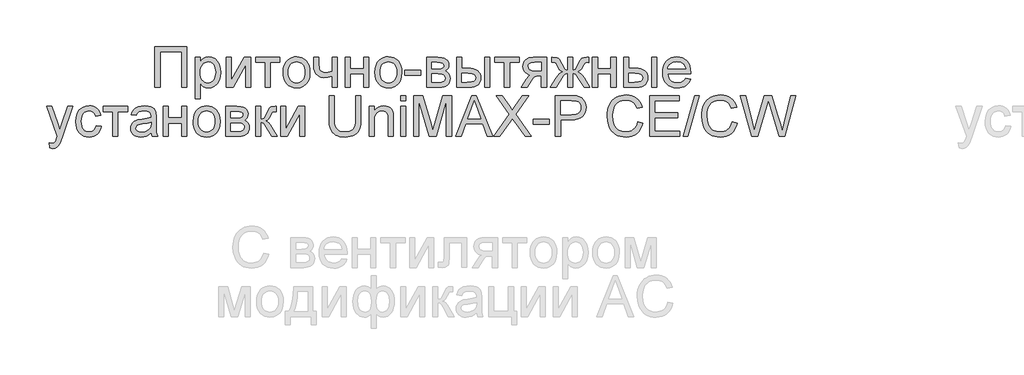
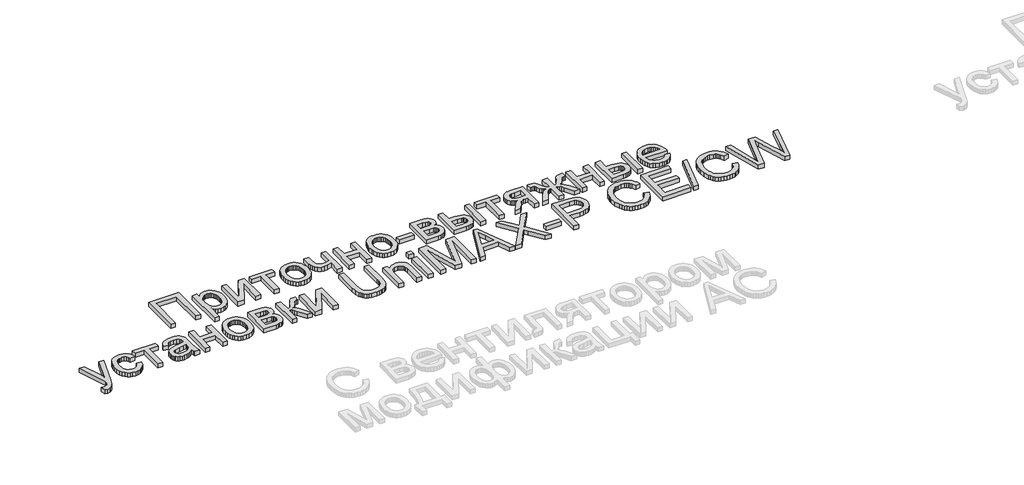
# One storey, part 47 of 74: 1 proxy.
"""IFC4 building model written with IfcOpenShell, lengths in millimetres."""

from ifc_helpers import new_model, si_unit, origin, origin_with_axes, place, context, project, spatial, polyline, outline, extrude, element, save

model = new_model("IFC4")

# Units and contexts
model_context = context("Model", 3, world=origin())
ifc_project = project(units=[si_unit("LENGTHUNIT", "METRE", prefix="MILLI")], contexts=[model_context])

# Site, building, storey
site = spatial("IfcSite", under=ifc_project)
building = spatial("IfcBuilding", under=site)
storey = spatial("IfcBuildingStorey", under=building, Elevation=0.0)

# Proxy
placement = place(None, origin())
element("IfcBuildingElementProxy", 1, Name="Generic Models", at=placement, inside=storey, context=model_context, shape_type="SweptSolid", body=[
    extrude(outline(polyline([(35266.2956204, -23404.5029647), (35617.589482, -23404.5029647), (35617.589482, -23854.1591075), (35561.3824642, -23854.1591075), (35561.3824642, -23460.7099826), (35322.5026383, -23460.7099826), (35322.5026383, -23854.1591075), (35266.2956204, -23854.1591075), (35266.2956204, -23404.5029647)])), origin_with_axes(), (0.0, 0.0, 1.0), 50.0),
    extrude(outline(polyline([(35708.925886, -23980.6248977), (35708.925886, -23523.9428777), (35765.1329039, -23523.9428777), (35765.1329039, -23579.0521022), (35783.4660523, -23551.8679952), (35803.9947873, -23532.4507759), (35827.9266816, -23520.8004443), (35856.4693079, -23516.9170004), (35894.4804015, -23522.3510774), (35927.7160942, -23538.6533081), (35954.7766995, -23564.8356787), (35974.2625308, -23599.9101752), (35986.0363642, -23641.3244281), (35989.9609753, -23686.526068), (35985.5286348, -23734.5956929), (35972.2316132, -23777.5880237), (35950.4953055, -23813.3211961), (35920.7451066, -23839.6133461), (35886.096005, -23855.7920751), (35849.6629893, -23861.1849848), (35823.8236791, -23857.5759892), (35800.756297, -23846.7490027), (35781.0097397, -23830.4056046), (35765.1329039, -23810.2473749), (35765.1329039, -23980.6248977), (35708.925886, -23980.6248977)]), holes=[polyline([(35765.1329039, -23691.6856966), (35766.6526615, -23718.7737467), (35771.2119344, -23742.0744098), (35778.8107225, -23761.5876861), (35789.4490259, -23777.3135753), (35802.255471, -23789.4167467), (35816.3586845, -23798.061869), (35831.7586664, -23803.2489425), (35848.4554167, -23804.9779669), (35865.3923092, -23803.1871916), (35881.0736006, -23797.8148655), (35895.4992909, -23788.8609888), (35908.6693801, -23776.3255613), (35919.6438827, -23760.0301918), (35927.4828131, -23739.7964887), (35932.1861713, -23715.6244521), (35933.7539574, -23687.514082), (35932.223908, -23660.6593129), (35927.6337597, -23637.399817), (35919.9835125, -23617.7355942), (35909.2731664, -23601.6666445), (35896.4358458, -23589.1792456), (35882.404675, -23580.2596749), (35867.1796539, -23574.9079324), (35850.7607826, -23573.1240183), (35834.3933704, -23575.0211424), (35818.9933885, -23580.7125146), (35804.560837, -23590.198135), (35791.0957158, -23603.4780035), (35779.7369856, -23620.3737288), (35771.6236069, -23640.7069194), (35766.7555796, -23664.4775753), (35765.1329039, -23691.6856966)])]), origin_with_axes(), (0.0, 0.0, 1.0), 50.0),
    extrude(outline(polyline([(36053.1938704, -23523.9428777), (36109.4008882, -23523.9428777), (36109.4008882, -23775.7766647), (36247.5032875, -23523.9428777), (36320.1772052, -23523.9428777), (36320.1772052, -23854.1591075), (36263.9701873, -23854.1591075), (36263.9701873, -23603.8622312), (36126.7460226, -23854.1591075), (36053.1938704, -23854.1591075), (36053.1938704, -23523.9428777)])), origin_with_axes(), (0.0, 0.0, 1.0), 50.0),
    extrude(outline(polyline([(36376.384223, -23523.9428777), (36643.3675578, -23523.9428777), (36643.3675578, -23580.1498955), (36537.9793993, -23580.1498955), (36537.9793993, -23854.1591075), (36481.7723815, -23854.1591075), (36481.7723815, -23580.1498955), (36376.384223, -23580.1498955), (36376.384223, -23523.9428777)])), origin_with_axes(), (0.0, 0.0, 1.0), 50.0),
    extrude(outline(polyline([(36678.496944, -23689.0509926), (36681.5364592, -23646.2850817), (36690.655005, -23609.4335323), (36705.8525812, -23578.4963443), (36727.1291879, -23553.4735179), (36748.54988, -23537.4800415), (36772.1936036, -23526.0561298), (36798.0603587, -23519.2017828), (36826.1501452, -23516.9170004), (36857.1593758, -23519.6992204), (36885.1977032, -23528.0458802), (36910.2651275, -23541.9569799), (36932.3616486, -23561.4325195), (36950.3963345, -23585.8138229), (36963.2782529, -23614.4422143), (36971.007404, -23647.3176935), (36973.5837877, -23684.4402607), (36969.0279454, -23741.22362), (36963.3331426, -23764.5311444), (36955.3604186, -23784.4492319), (36932.9791574, -23816.8204123), (36902.2821117, -23841.0404774), (36865.8216512, -23856.1488579), (36826.1501452, -23861.1849848), (36794.6880748, -23858.4130567), (36766.3890214, -23850.0972723), (36741.2529851, -23836.2376316), (36719.2799657, -23816.8341348), (36701.4373937, -23792.2161196), (36688.6926994, -23762.7129242), (36681.0458828, -23728.3245485), (36678.496944, -23689.0509926)]), holes=[polyline([(36734.7039618, -23688.9412133), (36736.3300682, -23716.2042242), (36741.2083872, -23739.8102111), (36749.338919, -23759.7591741), (36760.7216634, -23776.051113), (36774.5675817, -23788.7066116), (36790.0876347, -23797.7462534), (36807.2818225, -23803.1700386), (36826.1501452, -23804.9779669), (36844.9224109, -23803.1597467), (36862.0479866, -23797.7050862), (36877.5268724, -23788.6139853), (36891.3590682, -23775.886444), (36902.7418127, -23759.4332667), (36910.8723444, -23739.1652575), (36915.7506635, -23715.0824166), (36917.3767698, -23687.184744), (36915.7403717, -23660.7862453), (36910.8311772, -23637.7977671), (36902.6491864, -23618.2193094), (36891.1943992, -23602.0508722), (36877.3107444, -23589.3953736), (36861.8421504, -23580.3557318), (36844.7886173, -23574.9319467), (36826.1501452, -23573.1240183), (36807.2818225, -23574.9250854), (36790.0876347, -23580.3282869), (36774.5675817, -23589.3336227), (36760.7216634, -23601.9410929), (36749.338919, -23618.1850034), (36741.2083872, -23638.0996603), (36736.3300682, -23661.6850636), (36734.7039618, -23688.9412133)])]), origin_with_axes(), (0.0, 0.0, 1.0), 50.0),
    extrude(outline(polyline([(37015.7390511, -23523.9428777), (37071.9460689, -23523.9428777), (37071.9460689, -23587.2855521), (37076.5019112, -23646.6761706), (37084.2550765, -23663.9389705), (37098.4028879, -23678.8415148), (37117.9436089, -23689.1333271), (37141.8755033, -23692.5639312), (37176.2638789, -23688.3099821), (37219.4894908, -23675.5481348), (37219.4894908, -23523.9428777), (37275.6965086, -23523.9428777), (37275.6965086, -23854.1591075), (37219.4894908, -23854.1591075), (37219.4894908, -23729.4497867), (37171.5159228, -23743.9406585), (37126.8357348, -23748.7709491), (37092.8453092, -23743.7348222), (37063.1088327, -23728.6264417), (37039.9316713, -23706.2177356), (37025.6191909, -23679.2806321), (37018.209086, -23648.6247537), (37015.7390511, -23615.059723), (37015.7390511, -23523.9428777)])), origin_with_axes(), (0.0, 0.0, 1.0), 50.0),
    extrude(outline(polyline([(37360.0070354, -23523.9428777), (37416.2140533, -23523.9428777), (37416.2140533, -23650.4086678), (37563.7574751, -23650.4086678), (37563.7574751, -23523.9428777), (37619.964493, -23523.9428777), (37619.964493, -23854.1591075), (37563.7574751, -23854.1591075), (37563.7574751, -23706.6156857), (37416.2140533, -23706.6156857), (37416.2140533, -23854.1591075), (37360.0070354, -23854.1591075), (37360.0070354, -23523.9428777)])), origin_with_axes(), (0.0, 0.0, 1.0), 50.0),
    extrude(outline(polyline([(37690.2232653, -23689.0509926), (37693.2627806, -23646.2850817), (37702.3813263, -23609.4335323), (37717.5789025, -23578.4963443), (37738.8555093, -23553.4735179), (37760.2762014, -23537.4800415), (37783.9199249, -23526.0561298), (37809.78668, -23519.2017828), (37837.8764665, -23516.9170004), (37868.8856971, -23519.6992204), (37896.9240246, -23528.0458802), (37921.9914488, -23541.9569799), (37944.08797, -23561.4325195), (37962.1226558, -23585.8138229), (37975.0045743, -23614.4422143), (37982.7337253, -23647.3176935), (37985.310109, -23684.4402607), (37980.7542668, -23741.22362), (37975.0594639, -23764.5311444), (37967.08674, -23784.4492319), (37944.7054787, -23816.8204123), (37914.0084331, -23841.0404774), (37877.5479725, -23856.1488579), (37837.8764665, -23861.1849848), (37806.4143961, -23858.4130567), (37778.1153428, -23850.0972723), (37752.9793064, -23836.2376316), (37731.006287, -23816.8341348), (37713.163715, -23792.2161196), (37700.4190207, -23762.7129242), (37692.7722042, -23728.3245485), (37690.2232653, -23689.0509926)]), holes=[polyline([(37746.4302832, -23688.9412133), (37748.0563895, -23716.2042242), (37752.9347086, -23739.8102111), (37761.0652403, -23759.7591741), (37772.4479848, -23776.051113), (37786.293903, -23788.7066116), (37801.813956, -23797.7462534), (37819.0081439, -23803.1700386), (37837.8764665, -23804.9779669), (37856.6487322, -23803.1597467), (37873.774308, -23797.7050862), (37889.2531938, -23788.6139853), (37903.0853896, -23775.886444), (37914.468134, -23759.4332667), (37922.5986658, -23739.1652575), (37927.4769848, -23715.0824166), (37929.1030912, -23687.184744), (37927.466693, -23660.7862453), (37922.5574985, -23637.7977671), (37914.3755077, -23618.2193094), (37902.9207206, -23602.0508722), (37889.0370657, -23589.3953736), (37873.5684717, -23580.3557318), (37856.5149387, -23574.9319467), (37837.8764665, -23573.1240183), (37819.0081439, -23574.9250854), (37801.813956, -23580.3282869), (37786.293903, -23589.3336227), (37772.4479848, -23601.9410929), (37761.0652403, -23618.1850034), (37752.9347086, -23638.0996603), (37748.0563895, -23661.6850636), (37746.4302832, -23688.9412133)])]), origin_with_axes(), (0.0, 0.0, 1.0), 50.0),
    extrude(outline(polyline([(38020.4394952, -23720.6674401), (38020.4394952, -23664.4604223), (38196.086426, -23664.4604223), (38196.086426, -23720.6674401), (38020.4394952, -23720.6674401)])), origin_with_axes(), (0.0, 0.0, 1.0), 50.0),
    extrude(outline(polyline([(38259.3193211, -23523.9428777), (38383.1504073, -23523.9428777), (38422.9591374, -23525.8228487), (38451.0489239, -23531.4627619), (38471.7148831, -23542.1113571), (38489.2521314, -23559.0173742), (38501.231801, -23581.0418526), (38505.2250242, -23607.0458318), (38502.8098789, -23627.9999617), (38495.564443, -23646.0723842), (38483.4612716, -23661.3454338), (38466.4729201, -23673.9014448), (38487.2761034, -23685.5792212), (38504.2370102, -23704.3652094), (38515.5168365, -23728.7773883), (38519.2767786, -23757.333737), (38516.1549289, -23780.3393682), (38509.7534216, -23800.1751212), (38500.0722568, -23816.840996), (38487.1114344, -23830.3369926), (38470.8503709, -23840.7591679), (38451.2684826, -23848.2035788), (38428.3657695, -23852.6702254), (38402.1422317, -23854.1591075), (38259.3193211, -23854.1591075), (38259.3193211, -23523.9428777)]), holes=[polyline([(38315.5263389, -23797.9520897), (38384.4677592, -23797.9520897), (38422.0397355, -23795.4134426), (38445.614847, -23787.7975015), (38458.266915, -23773.9515833), (38463.0697608, -23752.723005), (38460.6683379, -23738.6575281), (38453.4640692, -23725.6623997), (38442.4038016, -23715.4940891), (38428.4343816, -23709.9090656), (38378.9787927, -23706.6156857), (38315.5263389, -23706.6156857), (38315.5263389, -23797.9520897)]), polyline([(38315.5263389, -23650.4086678), (38371.0746808, -23650.4086678), (38416.9075518, -23647.5544052), (38439.1927561, -23636.1373547), (38446.5616938, -23626.6963322), (38449.0180063, -23615.4988403), (38444.7091675, -23598.7300474), (38431.7826512, -23587.9442281), (38408.4270984, -23582.0984787), (38372.8311501, -23580.1498955), (38315.5263389, -23580.1498955), (38315.5263389, -23650.4086678)])]), origin_with_axes(), (0.0, 0.0, 1.0), 50.0),
    extrude(outline(polyline([(38898.6741491, -23523.9428777), (38954.881167, -23523.9428777), (38954.881167, -23854.1591075), (38898.6741491, -23854.1591075), (38898.6741491, -23523.9428777)])), origin_with_axes(), (0.0, 0.0, 1.0), 50.0),
    extrude(outline(polyline([(38589.5355509, -23523.9428777), (38645.7425688, -23523.9428777), (38645.7425688, -23643.3827906), (38715.2328858, -23643.3827906), (38747.2095468, -23645.1426905), (38775.2959027, -23650.4223903), (38799.4919535, -23659.2218898), (38819.7976993, -23671.5411892), (38835.8632184, -23686.9548935), (38847.3385891, -23705.0376078), (38854.2238116, -23725.7893321), (38856.5188857, -23749.2100664), (38854.5943168, -23770.1058761), (38848.8206101, -23789.4304691), (38839.1977656, -23807.1838454), (38825.7257832, -23823.366005), (38808.0272965, -23836.8379874), (38785.7249392, -23846.4608319), (38758.8187111, -23852.2345386), (38727.3086123, -23854.1591075), (38589.5355509, -23854.1591075), (38589.5355509, -23523.9428777)]), holes=[polyline([(38645.7425688, -23797.9520897), (38703.4864973, -23797.9520897), (38748.2490198, -23795.0017702), (38778.0266635, -23786.1508115), (38794.7405668, -23771.042431), (38800.3118679, -23749.3198457), (38796.1814205, -23730.9592525), (38783.7900785, -23714.7393562), (38773.0351346, -23708.1114291), (38757.2920923, -23703.3771954), (38710.8417125, -23699.5898085), (38645.7425688, -23699.5898085), (38645.7425688, -23797.9520897)])]), origin_with_axes(), (0.0, 0.0, 1.0), 50.0),
    extrude(outline(polyline([(39011.0881848, -23523.9428777), (39278.0715196, -23523.9428777), (39278.0715196, -23580.1498955), (39172.6833612, -23580.1498955), (39172.6833612, -23854.1591075), (39116.4763433, -23854.1591075), (39116.4763433, -23580.1498955), (39011.0881848, -23580.1498955), (39011.0881848, -23523.9428777)])), origin_with_axes(), (0.0, 0.0, 1.0), 50.0),
    extrude(outline(polyline([(39580.1842406, -23523.9428777), (39580.1842406, -23854.1591075), (39523.9772227, -23854.1591075), (39523.9772227, -23727.6933174), (39493.3487892, -23727.6933174), (39468.9228879, -23729.4772315), (39451.6326431, -23734.8289739), (39434.9736295, -23750.3901942), (39412.4414217, -23782.8025419), (39367.6514543, -23854.1591075), (39302.6620899, -23854.1591075), (39359.0886665, -23763.9204969), (39384.0085748, -23731.535594), (39395.7275184, -23722.0945715), (39406.9524551, -23717.1545015), (39386.3139407, -23712.5917981), (39368.529689, -23705.3806682), (39353.5996999, -23695.521112), (39341.5239734, -23683.0131294), (39325.5510806, -23653.2629305), (39320.226783, -23619.341117), (39322.0450032, -23599.1005527), (39327.4996637, -23580.8634612), (39336.5907647, -23564.6298425), (39349.3183059, -23550.3996966), (39365.4901737, -23538.8248383), (39384.9142542, -23530.5570824), (39407.5905475, -23525.5964289), (39433.5190534, -23523.9428777), (39580.1842406, -23523.9428777)]), holes=[polyline([(39523.9772227, -23580.1498955), (39449.8761738, -23580.1498955), (39411.6043543, -23583.4021082), (39398.6744074, -23587.4673741), (39389.881769, -23593.1587463), (39379.7957929, -23607.2791129), (39376.4338009, -23623.6225109), (39381.3875932, -23645.043203), (39396.2489703, -23659.90458), (39423.7075256, -23668.5908697), (39466.4528529, -23671.4862995), (39523.9772227, -23671.4862995), (39523.9772227, -23580.1498955)])]), origin_with_axes(), (0.0, 0.0, 1.0), 50.0),
    extrude(outline(polyline([(39868.2452071, -23523.9428777), (39868.2452071, -23664.4604223), (39888.0740989, -23661.5649924), (39901.0143376, -23652.8787028), (39932.0269988, -23592.7745187), (39951.375606, -23555.3123217), (39969.0226336, -23535.1403695), (39990.4570481, -23526.7422506), (40021.6069335, -23523.9428777), (40043.8921379, -23523.9428777), (40043.8921379, -23580.4792335), (40028.4132521, -23580.1498955), (40009.860545, -23581.6044717), (39999.4315085, -23585.9682001), (39979.3418908, -23622.4149382), (39967.1975522, -23646.8408396), (39956.0137828, -23662.374615), (39942.3325336, -23672.9957653), (39922.6957556, -23682.6837914), (39941.1867118, -23690.5947645), (39959.4443869, -23704.5573232), (39977.468781, -23724.5714676), (39995.2598939, -23750.6371977), (40057.9438923, -23854.1591075), (39993.5034246, -23854.1591075), (39931.8074402, -23752.064329), (39914.9425903, -23725.2644497), (39900.3556616, -23709.6346173), (39885.6040639, -23702.1010107), (39868.2452071, -23699.5898085), (39868.2452071, -23854.1591075), (39812.0381892, -23854.1591075), (39812.0381892, -23699.5898085), (39794.8165566, -23702.046121), (39780.037514, -23709.4150586), (39765.340806, -23724.9351117), (39748.3661768, -23751.8447704), (39686.6701924, -23854.1591075), (39622.339504, -23854.1591075), (39684.8039437, -23750.6371977), (39702.7460033, -23724.5714676), (39720.893899, -23704.5573232), (39739.2476311, -23690.5947645), (39757.8071993, -23682.6837914), (39736.34534, -23671.9254169), (39722.4582545, -23660.2888077), (39709.8336314, -23639.8424072), (39692.159159, -23602.6546585), (39684.9960576, -23590.2770389), (39677.3389492, -23583.6628341), (39653.0777169, -23579.8205575), (39636.3912584, -23580.1498955), (39636.3912584, -23523.9428777), (39644.844267, -23523.9428777), (39694.1351869, -23527.4558163), (39707.6654896, -23532.9447829), (39719.7137712, -23542.3858054), (39732.5305082, -23560.691509), (39748.3661768, -23592.7745187), (39779.0495, -23652.4944751), (39791.9897388, -23661.4689355), (39812.0381892, -23664.4604223), (39812.0381892, -23523.9428777), (39868.2452071, -23523.9428777)])), origin_with_axes(), (0.0, 0.0, 1.0), 50.0),
    extrude(outline(polyline([(40086.0474013, -23523.9428777), (40142.2544191, -23523.9428777), (40142.2544191, -23650.4086678), (40289.797841, -23650.4086678), (40289.797841, -23523.9428777), (40346.0048588, -23523.9428777), (40346.0048588, -23854.1591075), (40289.797841, -23854.1591075), (40289.797841, -23706.6156857), (40142.2544191, -23706.6156857), (40142.2544191, -23854.1591075), (40086.0474013, -23854.1591075), (40086.0474013, -23523.9428777)])), origin_with_axes(), (0.0, 0.0, 1.0), 50.0),
    extrude(outline(polyline([(40739.4539838, -23523.9428777), (40795.6610016, -23523.9428777), (40795.6610016, -23854.1591075), (40739.4539838, -23854.1591075), (40739.4539838, -23523.9428777)])), origin_with_axes(), (0.0, 0.0, 1.0), 50.0),
    extrude(outline(polyline([(40430.3153856, -23523.9428777), (40486.5224035, -23523.9428777), (40486.5224035, -23643.3827906), (40556.0127204, -23643.3827906), (40587.9893814, -23645.1426905), (40616.0757373, -23650.4223903), (40640.2717882, -23659.2218898), (40660.5775339, -23671.5411892), (40676.643053, -23686.9548935), (40688.1184238, -23705.0376078), (40695.0036462, -23725.7893321), (40697.2987204, -23749.2100664), (40695.3741515, -23770.1058761), (40689.6004448, -23789.4304691), (40679.9776002, -23807.1838454), (40666.5056178, -23823.366005), (40648.8071312, -23836.8379874), (40626.5047738, -23846.4608319), (40599.5985458, -23852.2345386), (40568.0884469, -23854.1591075), (40430.3153856, -23854.1591075), (40430.3153856, -23523.9428777)]), holes=[polyline([(40486.5224035, -23797.9520897), (40544.2663319, -23797.9520897), (40589.0288545, -23795.0017702), (40618.8064982, -23786.1508115), (40635.5204015, -23771.042431), (40641.0917025, -23749.3198457), (40636.9612552, -23730.9592525), (40624.5699131, -23714.7393562), (40613.8149692, -23708.1114291), (40598.0719269, -23703.3771954), (40551.6215472, -23699.5898085), (40486.5224035, -23699.5898085), (40486.5224035, -23797.9520897)])]), origin_with_axes(), (0.0, 0.0, 1.0), 50.0),
    extrude(outline(polyline([(41111.1668011, -23755.7968263), (41166.2760256, -23762.8227035), (41157.8264477, -23784.8952104), (41146.419689, -23804.3467358), (41132.0557495, -23821.1772796), (41114.7346293, -23835.3868418), (41094.6347198, -23846.6735294), (41071.9344124, -23854.735449), (41046.633707, -23859.5726008), (41018.7326037, -23861.1849848), (40983.8570823, -23858.4027648), (40952.7826702, -23850.056105), (40925.5093675, -23836.1450053), (40902.0371741, -23816.6694658), (40883.1619902, -23792.1715218), (40869.6797161, -23763.1932088), (40861.5903516, -23729.7345268), (40858.8938967, -23691.7954759), (40861.6177964, -23652.5699484), (40869.7894954, -23617.9963201), (40883.4089937, -23588.074591), (40902.4762914, -23562.8047611), (40925.8867339, -23542.7288658), (40952.5356667, -23528.3889406), (40982.4230898, -23519.7849855), (41015.5490031, -23516.9170004), (41047.6079986, -23519.7781243), (41076.600034, -23528.3614958), (41102.5251093, -23542.6671149), (41125.3832245, -23562.6949818), (41144.0422803, -23587.909922), (41157.3701773, -23617.7767615), (41165.3669155, -23652.2955001), (41168.0324949, -23691.4661379), (41167.7031569, -23706.6156857), (40915.1009146, -23706.6156857), (40918.3565579, -23729.0449754), (40924.8301079, -23748.6886146), (40934.5215645, -23765.5466032), (40947.4309278, -23779.6189413), (40962.8446321, -23790.713515), (40980.0491117, -23798.6382105), (40999.0443667, -23803.3930278), (41019.8303971, -23804.9779669), (41049.745265, -23802.0413698), (41074.9396216, -23793.2315784), (41095.413467, -23777.9996962), (41111.1668011, -23755.7968263)]), holes=[polyline([(40915.1009146, -23650.4086678), (41111.8254771, -23650.4086678), (41104.2232583, -23620.7133586), (41089.3207141, -23599.4710579), (41073.9927749, -23587.9442281), (41056.5515835, -23579.7107782), (41036.9971401, -23574.7707083), (41015.3294445, -23573.1240183), (40977.4418526, -23578.3797038), (40946.1135758, -23594.1467603), (40933.6570522, -23605.5466578), (40924.3361009, -23618.7236082), (40918.1507216, -23633.6776116), (40915.1009146, -23650.4086678)])]), origin_with_axes(), (0.0, 0.0, 1.0), 50.0),
    extrude(outline(polyline([(34107.0258772, -24521.0569809), (34100.0, -24466.9357703), (34128.5426263, -24471.8758403), (34143.5549499, -24470.3252072), (34155.2190039, -24465.673308), (34171.5761243, -24448.3830633), (34186.9452307, -24406.9962552), (34191.336404, -24393.3836181), (34071.8964911, -24064.3749608), (34131.1773302, -24064.3749608), (34194.5200046, -24247.7064449), (34216.5856503, -24321.0390385), (34238.651296, -24256.2692327), (34303.7504397, -24064.3749608), (34362.5921615, -24064.3749608), (34247.6532012, -24402.4953026), (34217.793223, -24475.8278962), (34202.506451, -24499.2383387), (34185.1887614, -24515.458235), (34165.0716989, -24524.9267023), (34141.3868081, -24528.0828581), (34107.0258772, -24521.0569809)])), origin_with_axes(), (0.0, 0.0, 1.0), 50.0),
    extrude(outline(polyline([(34619.9149151, -24275.1512778), (34676.121933, -24282.177155), (34670.0085964, -24308.6991555), (34660.4509334, -24332.1679182), (34647.4489438, -24352.5834433), (34631.0026276, -24369.9457308), (34611.804967, -24383.8019408), (34590.5489439, -24393.6992337), (34567.2345583, -24399.6376094), (34541.8618103, -24401.617068), (34510.337989, -24398.8554316), (34482.0732417, -24390.5705227), (34457.0675683, -24376.7623411), (34435.3209688, -24357.4308869), (34417.7185391, -24332.9398041), (34405.145375, -24303.6527368), (34397.6014765, -24269.5696849), (34395.0868437, -24230.6906484), (34399.3819601, -24180.6724404), (34412.2673091, -24137.3233268), (34421.98278, -24118.5682141), (34433.9487272, -24102.3174424), (34448.1651506, -24088.5710117), (34464.6320504, -24077.328922), (34501.3395144, -24062.3440432), (34541.0933549, -24057.3490836), (34566.0304163, -24059.0643857), (34588.5866383, -24064.2102918), (34608.7620211, -24072.7868021), (34626.5565647, -24084.7939165), (34641.6683758, -24099.9571867), (34653.7955614, -24118.0021644), (34662.9381214, -24138.9288495), (34669.0960558, -24162.7372421), (34612.8890379, -24169.7631193), (34602.6932825, -24145.2411611), (34586.8164466, -24127.6627456), (34566.136765, -24117.0827625), (34541.5324723, -24113.5561015), (34522.4342991, -24115.2919871), (34505.2092359, -24120.4996442), (34489.8572825, -24129.1790726), (34476.3784389, -24141.3302724), (34465.4039363, -24157.2345531), (34457.5650059, -24177.1732242), (34452.8616477, -24201.1462858), (34451.2938616, -24229.1537378), (34452.8273416, -24257.5831541), (34457.4277817, -24281.8340946), (34465.0951819, -24301.9065593), (34475.8295422, -24317.8005482), (34489.0407987, -24329.8797053), (34504.1388874, -24338.5076746), (34521.1238084, -24343.6844562), (34539.9955616, -24345.4100501), (34569.100807, -24341.1012113), (34592.9640892, -24328.174695), (34610.322946, -24306.3011632), (34619.9149151, -24275.1512778)])), origin_with_axes(), (0.0, 0.0, 1.0), 50.0),
    extrude(outline(polyline([(34697.1995647, -24064.3749608), (34964.1828995, -24064.3749608), (34964.1828995, -24120.5819787), (34858.794741, -24120.5819787), (34858.794741, -24394.5911907), (34802.5877232, -24394.5911907), (34802.5877232, -24120.5819787), (34697.1995647, -24120.5819787), (34697.1995647, -24064.3749608)])), origin_with_axes(), (0.0, 0.0, 1.0), 50.0),
    extrude(outline(polyline([(35224.140357, -24352.4359273), (35197.285588, -24375.4621422), (35169.6349188, -24390.5293555), (35140.5571183, -24398.8451398), (35109.4209554, -24401.617068), (35084.3946983, -24399.9497944), (35062.4491238, -24394.9479736), (35043.5842318, -24386.6116056), (35027.8000222, -24374.9406903), (35015.3366375, -24360.6762384), (35006.4342198, -24344.5592603), (35001.0927692, -24326.5897559), (34999.3122856, -24306.7677253), (35002.0018793, -24283.4670622), (35010.0706601, -24262.307096), (35022.5168919, -24244.1935062), (35038.3388381, -24230.0319724), (35056.9327124, -24219.3284876), (35077.6947285, -24211.5890447), (35126.3269725, -24203.1360362), (35183.7964526, -24194.2439103), (35223.811019, -24183.8148738), (35224.140357, -24171.30003), (35220.2706356, -24146.2154527), (35208.6614713, -24129.8034426), (35182.6986593, -24117.6179367), (35146.5263695, -24113.5561015), (35113.0436733, -24116.2594175), (35089.6606757, -24124.3693656), (35073.7152277, -24139.3679668), (35062.5451807, -24162.7372421), (35006.3381629, -24155.7113649), (35016.094801, -24124.973152), (35030.6542848, -24100.821699), (35051.3751337, -24082.3513264), (35079.6158668, -24068.6563548), (35114.1551891, -24060.1759014), (35153.7718054, -24057.3490836), (35191.7691766, -24059.8465634), (35221.8898807, -24067.3390028), (35244.60048, -24078.6051067), (35260.3675365, -24092.4235801), (35270.8240179, -24109.5079886), (35277.6028916, -24130.5718979), (35280.3473749, -24179.7530385), (35280.3473749, -24249.6824728), (35283.2016375, -24347.3311884), (35294.3991294, -24394.5911907), (35238.1921115, -24394.5911907), (35229.1902063, -24375.0504697), (35224.140357, -24352.4359273)]), holes=[polyline([(35224.140357, -24240.0218916), (35186.3762669, -24249.3805797), (35133.462629, -24257.2572467), (35085.1048334, -24266.3689313), (35072.5213775, -24272.5989083), (35063.2038567, -24281.189141), (35057.4404418, -24291.4809534), (35055.5193035, -24302.8156694), (35059.7046405, -24319.5295726), (35072.2606516, -24333.2245443), (35092.9128884, -24342.3636737), (35121.3869025, -24345.4100501), (35151.5762188, -24342.0480581), (35178.2525964, -24331.962082), (35199.8791247, -24317.1007049), (35214.9188932, -24299.4125101), (35221.5879876, -24281.189141), (35223.811019, -24255.9398947), (35224.140357, -24240.0218916)])]), origin_with_axes(), (0.0, 0.0, 1.0), 50.0),
    extrude(outline(polyline([(35357.6320244, -24064.3749608), (35413.8390423, -24064.3749608), (35413.8390423, -24190.840751), (35561.3824642, -24190.840751), (35561.3824642, -24064.3749608), (35617.589482, -24064.3749608), (35617.589482, -24394.5911907), (35561.3824642, -24394.5911907), (35561.3824642, -24247.0477689), (35413.8390423, -24247.0477689), (35413.8390423, -24394.5911907), (35357.6320244, -24394.5911907), (35357.6320244, -24064.3749608)])), origin_with_axes(), (0.0, 0.0, 1.0), 50.0),
    extrude(outline(polyline([(35687.8482543, -24229.4830758), (35690.8877696, -24186.7171649), (35700.0063153, -24149.8656154), (35715.2038916, -24118.9284275), (35736.4804983, -24093.9056011), (35757.9011904, -24077.9121247), (35781.544914, -24066.488213), (35807.411669, -24059.633866), (35835.5014555, -24057.3490836), (35866.5106861, -24060.1313036), (35894.5490136, -24068.4779634), (35919.6164379, -24082.3890631), (35941.712959, -24101.8646026), (35959.7476448, -24126.2459061), (35972.6295633, -24154.8742975), (35980.3587144, -24187.7497767), (35982.935098, -24224.8723439), (35978.3792558, -24281.6557032), (35972.6844529, -24304.9632276), (35964.711729, -24324.8813151), (35942.3304677, -24357.2524955), (35911.6334221, -24381.4725606), (35875.1729615, -24396.5809411), (35835.5014555, -24401.617068), (35804.0393852, -24398.8451398), (35775.7403318, -24390.5293555), (35750.6042954, -24376.6697148), (35728.6312761, -24357.2662179), (35710.7887041, -24332.6482028), (35698.0440098, -24303.1450074), (35690.3971932, -24268.7566317), (35687.8482543, -24229.4830758)]), holes=[polyline([(35744.0552722, -24229.3732965), (35745.6813785, -24256.6363074), (35750.5596976, -24280.2422943), (35758.6902293, -24300.1912572), (35770.0729738, -24316.4831962), (35783.918892, -24329.1386948), (35799.438945, -24338.1783366), (35816.6331329, -24343.6021217), (35835.5014555, -24345.4100501), (35854.2737212, -24343.5918299), (35871.399297, -24338.1371694), (35886.8781828, -24329.0460685), (35900.7103786, -24316.3185272), (35912.093123, -24299.8653498), (35920.2236548, -24279.5973407), (35925.1019738, -24255.5144998), (35926.7280802, -24227.6168271), (35925.091682, -24201.2183285), (35920.1824875, -24178.2298503), (35912.0004967, -24158.6513926), (35900.5457096, -24142.4829554), (35886.6620547, -24129.8274568), (35871.1934608, -24120.7878149), (35854.1399277, -24115.3640298), (35835.5014555, -24113.5561015), (35816.6331329, -24115.3571686), (35799.438945, -24120.7603701), (35783.918892, -24129.7657059), (35770.0729738, -24142.373176), (35758.6902293, -24158.6170865), (35750.5596976, -24178.5317434), (35745.6813785, -24202.1171467), (35744.0552722, -24229.3732965)])]), origin_with_axes(), (0.0, 0.0, 1.0), 50.0),
    extrude(outline(polyline([(36046.1679931, -24064.3749608), (36169.9990793, -24064.3749608), (36209.8078095, -24066.2549319), (36237.897596, -24071.8948451), (36258.5635552, -24082.5434402), (36276.1008035, -24099.4494573), (36288.080473, -24121.4739358), (36292.0736962, -24147.477915), (36289.6585509, -24168.4320449), (36282.413115, -24186.5044674), (36270.3099437, -24201.7775169), (36253.3215921, -24214.333528), (36274.1247755, -24226.0113044), (36291.0856822, -24244.7972926), (36302.3655086, -24269.2094715), (36306.1254507, -24297.7658201), (36303.003601, -24320.7714513), (36296.6020937, -24340.6072043), (36286.9209289, -24357.2730791), (36273.9601065, -24370.7690757), (36257.699043, -24381.191251), (36238.1171547, -24388.635662), (36215.2144416, -24393.1023085), (36188.9909037, -24394.5911907), (36046.1679931, -24394.5911907), (36046.1679931, -24064.3749608)]), holes=[polyline([(36102.375011, -24190.840751), (36157.9233528, -24190.840751), (36203.7562238, -24187.9864884), (36226.0414282, -24176.5694379), (36233.4103658, -24167.1284154), (36235.8666784, -24155.9309235), (36231.5578396, -24139.1621306), (36218.6313233, -24128.3763113), (36195.2757705, -24122.5305618), (36159.6798222, -24120.5819787), (36102.375011, -24120.5819787), (36102.375011, -24190.840751)]), polyline([(36102.375011, -24338.3841729), (36171.3164313, -24338.3841729), (36208.8884076, -24335.8455258), (36232.4635191, -24328.2295847), (36245.1155871, -24314.3836665), (36249.9184328, -24293.1550882), (36247.51701, -24279.0896113), (36240.3127413, -24266.0944829), (36229.2524736, -24255.9261723), (36215.2830537, -24250.3411488), (36165.8274647, -24247.0477689), (36102.375011, -24247.0477689), (36102.375011, -24338.3841729)])]), origin_with_axes(), (0.0, 0.0, 1.0), 50.0),
    extrude(outline(polyline([(36376.384223, -24064.3749608), (36432.5912409, -24064.3749608), (36432.5912409, -24204.8925055), (36455.4527867, -24202.3675808), (36470.2455517, -24194.792807), (36483.336737, -24175.0325272), (36501.0935439, -24135.9510851), (36515.4060242, -24103.9915772), (36526.7270178, -24085.1781442), (36537.2932785, -24074.9274991), (36549.3415602, -24068.6563548), (36590.4539199, -24064.3749608), (36601.2122944, -24064.3749608), (36601.2122944, -24120.9113167), (36586.0627466, -24120.5819787), (36568.4980536, -24122.0639997), (36558.6179137, -24126.5100626), (36539.2967513, -24163.5056974), (36527.4268611, -24188.1648798), (36516.6273193, -24203.5202638), (36503.5498564, -24213.7709089), (36484.8462028, -24223.1158745), (36502.6578993, -24231.0268476), (36520.3049269, -24244.9894064), (36537.7872855, -24265.0035508), (36555.1049751, -24291.0692809), (36615.2640489, -24394.5911907), (36551.3724778, -24394.5911907), (36492.4209767, -24293.2648675), (36476.5029736, -24266.3003192), (36462.7805571, -24250.3960385), (36448.9209165, -24242.6154283), (36432.5912409, -24240.0218916), (36432.5912409, -24394.5911907), (36376.384223, -24394.5911907), (36376.384223, -24064.3749608)])), origin_with_axes(), (0.0, 0.0, 1.0), 50.0),
    extrude(outline(polyline([(36650.393435, -24064.3749608), (36706.6004529, -24064.3749608), (36706.6004529, -24316.2087479), (36844.7028522, -24064.3749608), (36917.3767698, -24064.3749608), (36917.3767698, -24394.5911907), (36861.169752, -24394.5911907), (36861.169752, -24144.2943144), (36723.9455873, -24394.5911907), (36650.393435, -24394.5911907), (36650.393435, -24064.3749608)])), origin_with_axes(), (0.0, 0.0, 1.0), 50.0),
    extrude(outline(polyline([(37479.4469484, -23944.9350479), (37535.6539662, -23944.9350479), (37535.6539662, -24204.3436088), (37531.8391344, -24265.0927465), (37520.3946391, -24311.8724643), (37511.2349261, -24330.843705), (37499.0151142, -24347.9624196), (37483.7352035, -24363.2286079), (37465.3951939, -24376.64227), (37443.9745018, -24387.5687441), (37419.4525436, -24395.3733685), (37391.8293192, -24400.0561431), (37361.1048287, -24401.617068), (37304.0332987, -24396.182991), (37279.7892194, -24389.3903949), (37258.4062639, -24379.8807603), (37239.8810017, -24367.794742), (37224.2100021, -24353.2729947), (37211.3932651, -24336.3155186), (37201.4307907, -24316.9223135), (37188.6277762, -24268.1665678), (37184.3601046, -24204.3436088), (37184.3601046, -23944.9350479), (37240.5671225, -23944.9350479), (37240.5671225, -24202.3675808), (37243.3390506, -24252.8797959), (37251.654835, -24288.0503493), (37266.7220483, -24312.4076385), (37289.7482631, -24330.480061), (37319.7729103, -24341.6775528), (37355.8354208, -24345.4100501), (37386.813776, -24343.5643851), (37413.0030078, -24338.02739), (37434.4031163, -24328.799065), (37451.0141014, -24315.8794099), (37463.453472, -24297.7109305), (37472.3387366, -24272.7361325), (37477.6698954, -24240.955016), (37479.4469484, -24202.3675808), (37479.4469484, -23944.9350479)])), origin_with_axes(), (0.0, 0.0, 1.0), 50.0),
    extrude(outline(polyline([(37626.9903702, -24394.5911907), (37626.9903702, -24064.3749608), (37683.1973881, -24064.3749608), (37683.1973881, -24110.4822802), (37702.7243867, -24087.2365067), (37726.1759965, -24070.6323828), (37753.5522173, -24060.6699084), (37784.8530493, -24057.3490836), (37812.5586081, -24060.0249548), (37837.9313562, -24068.0525685), (37859.0913224, -24080.4301881), (37874.1585356, -24096.1560774), (37884.3817359, -24115.189069), (37891.0096631, -24137.4879958), (37893.973705, -24191.828765), (37893.973705, -24394.5911907), (37837.7666872, -24394.5911907), (37837.7666872, -24199.4035389), (37836.147442, -24170.3394608), (37831.2897066, -24149.6735016), (37822.3289686, -24134.8670142), (37808.4007159, -24123.3813517), (37790.5478521, -24116.012414), (37769.8132808, -24113.5561015), (37736.8932037, -24119.0725129), (37708.830862, -24135.6217471), (37697.6162172, -24149.1314662), (37689.6057566, -24167.5949775), (37684.7994802, -24191.0122812), (37683.1973881, -24219.3833773), (37683.1973881, -24394.5911907), (37626.9903702, -24394.5911907)])), origin_with_axes(), (0.0, 0.0, 1.0), 50.0),
    extrude(outline(polyline([(37971.2583546, -24394.5911907), (37971.2583546, -24064.3749608), (38027.4653724, -24064.3749608), (38027.4653724, -24394.5911907), (37971.2583546, -24394.5911907)])), origin_with_axes(), (0.0, 0.0, 1.0), 50.0),
    extrude(outline(polyline([(37971.2583546, -24001.1420658), (37971.2583546, -23944.9350479), (38027.4653724, -23944.9350479), (38027.4653724, -24001.1420658), (37971.2583546, -24001.1420658)])), origin_with_axes(), (0.0, 0.0, 1.0), 50.0),
    extrude(outline(polyline([(38118.8017764, -24394.5911907), (38118.8017764, -23944.9350479), (38215.5173677, -23944.9350479), (38307.5124477, -24261.8679786), (38326.0651548, -24328.0649157), (38346.1547725, -24256.3790121), (38436.6129418, -23944.9350479), (38533.3285331, -23944.9350479), (38533.3285331, -24394.5911907), (38477.1215152, -24394.5911907), (38477.1215152, -24001.1420658), (38364.1585829, -24394.5911907), (38287.9717266, -24394.5911907), (38175.0087943, -24001.1420658), (38175.0087943, -24394.5911907), (38118.8017764, -24394.5911907)])), origin_with_axes(), (0.0, 0.0, 1.0), 50.0),
    extrude(outline(polyline([(38579.3260731, -24394.5911907), (38758.8152805, -23944.9350479), (38806.6790691, -23944.9350479), (38986.1682765, -24394.5911907), (38926.7776581, -24394.5911907), (38875.2911515, -24254.0736461), (38690.0934188, -24254.0736461), (38638.7166916, -24394.5911907), (38579.3260731, -24394.5911907)]), holes=[polyline([(38710.7319332, -24197.8666282), (38854.7624164, -24197.8666282), (38814.253843, -24087.3188412), (38782.7471748, -24001.1420658), (38754.7534452, -24077.65826), (38710.7319332, -24197.8666282)])]), origin_with_axes(), (0.0, 0.0, 1.0), 50.0),
    extrude(outline(polyline([(38997.0364304, -24394.5911907), (39170.3779952, -24149.5637223), (39025.1399393, -23944.9350479), (39092.544449, -23944.9350479), (39174.3300511, -24060.0935669), (39201.8846634, -24104.9933136), (39234.1597869, -24059.3251116), (39315.0671544, -23944.9350479), (39383.4596781, -23944.9350479), (39238.2216222, -24150.2223983), (39411.563187, -24394.5911907), (39344.1586773, -24394.5911907), (39228.6708203, -24231.6786624), (39204.6291467, -24197.8666282), (39178.1723277, -24234.9720424), (39065.428954, -24394.5911907), (38997.0364304, -24394.5911907)])), origin_with_axes(), (0.0, 0.0, 1.0), 50.0),
    extrude(outline(polyline([(39432.6408187, -24261.0995233), (39432.6408187, -24204.8925055), (39608.2877495, -24204.8925055), (39608.2877495, -24261.0995233), (39432.6408187, -24261.0995233)])), origin_with_axes(), (0.0, 0.0, 1.0), 50.0),
    extrude(outline(polyline([(39678.5465218, -24394.5911907), (39678.5465218, -23944.9350479), (39845.1915474, -23944.9350479), (39912.3764984, -23949.2164418), (39942.3325336, -23957.2166106), (39966.991716, -23970.2391839), (39986.8480526, -23988.8742254), (40002.3955505, -24013.7117992), (40012.4403593, -24043.0091584), (40015.7886289, -24075.023556), (40013.5278608, -24102.6261967), (40006.7455565, -24128.0195284), (39995.4417159, -24151.203551), (39979.6163391, -24172.1782646), (39957.8903233, -24189.5645663), (39928.8845655, -24201.9833532), (39892.5990657, -24209.4346253), (39849.033824, -24211.9183827), (39734.7535397, -24211.9183827), (39734.7535397, -24394.5911907), (39678.5465218, -24394.5911907)]), holes=[polyline([(39734.7535397, -24155.7113649), (39852.327204, -24155.7113649), (39902.1670206, -24150.5517363), (39920.7471725, -24144.1022005), (39935.1008201, -24135.0728505), (39945.8111662, -24123.7038284), (39953.4614133, -24110.2352767), (39958.0515617, -24094.6671952), (39959.5816111, -24076.999584), (39955.9726156, -24051.7503377), (39945.145629, -24030.4531473), (39928.4454481, -24014.4253649), (39907.2168698, -24004.9843424), (39851.009852, -24001.1420658), (39734.7535397, -24001.1420658), (39734.7535397, -24155.7113649)])]), origin_with_axes(), (0.0, 0.0, 1.0), 50.0),
    extrude(outline(polyline([(40584.8846847, -24234.7524837), (40641.0917025, -24249.2433555), (40629.969684, -24284.1977808), (40615.1563354, -24314.7404493), (40596.6516568, -24340.8713609), (40574.4556482, -24362.5905155), (40549.0691777, -24379.6646322), (40520.9931136, -24391.8604298), (40490.2274559, -24399.1779084), (40456.7722046, -24401.617068), (40422.4970388, -24399.7714029), (40391.5770039, -24394.2344079), (40364.0120998, -24385.0060828), (40339.8023266, -24372.0864277), (40318.6149156, -24355.6675564), (40300.1170982, -24335.9415827), (40284.3088744, -24312.9085067), (40271.1902442, -24286.5683283), (40253.5294942, -24228.5225066), (40247.6425776, -24166.35996), (40249.3064206, -24132.4587302), (40254.2979496, -24100.7942542), (40262.6171646, -24071.366532), (40274.2640655, -24044.1755638), (40288.9779266, -24019.6707586), (40306.4980218, -23998.3015256), (40326.8243512, -23980.0678647), (40349.9569148, -23964.969776), (40375.1101042, -23953.1307611), (40401.498311, -23944.674322), (40429.1215354, -23939.6004585), (40457.9797772, -23937.9091707), (40490.1279684, -23940.0978961), (40519.6071496, -23946.6640724), (40546.4173207, -23957.6076995), (40570.5584819, -23972.9287775), (40591.632683, -23992.2224951), (40609.2419739, -24015.0840409), (40623.3863547, -24041.513415), (40634.0658253, -24071.5106174), (40577.8588075, -24084.9036959), (40558.3729761, -24043.9148379), (40545.9541892, -24028.2472689), (40531.7514881, -24015.7976065), (40515.6825384, -24006.3119862), (40497.6650056, -23999.536543), (40455.7841906, -23994.1161885), (40430.5692503, -23995.6187931), (40407.5087294, -24000.1266069), (40386.6026279, -24007.63963), (40367.8509458, -24018.1578622), (40351.4903948, -24031.2078802), (40337.7576865, -24046.3162608), (40326.652821, -24063.4830038), (40318.1757982, -24082.7081092), (40307.4311461, -24123.8479138), (40303.8495954, -24166.2501807), (40308.0898221, -24218.1758046), (40320.8105022, -24263.0755513), (40330.4710834, -24282.4618952), (40342.4919202, -24299.2341187), (40356.8730127, -24313.3922219), (40373.6143608, -24324.9362047), (40410.9256111, -24340.2915888), (40451.1734586, -24345.4100501), (40475.6096518, -24343.6673032), (40498.0904005, -24338.4390625), (40518.615705, -24329.7253281), (40537.1855651, -24317.5260998), (40553.3608635, -24301.8962675), (40566.7024829, -24282.8907207), (40577.2104233, -24260.5094594), (40584.8846847, -24234.7524837)])), origin_with_axes(), (0.0, 0.0, 1.0), 50.0),
    extrude(outline(polyline([(40718.3763521, -24394.5911907), (40718.3763521, -23944.9350479), (41041.5667047, -23944.9350479), (41041.5667047, -24001.1420658), (40774.5833699, -24001.1420658), (40774.5833699, -24134.6337332), (41027.5149503, -24134.6337332), (41027.5149503, -24190.840751), (40774.5833699, -24190.840751), (40774.5833699, -24338.3841729), (41048.592582, -24338.3841729), (41048.592582, -24394.5911907), (40718.3763521, -24394.5911907)])), origin_with_axes(), (0.0, 0.0, 1.0), 50.0),
    extrude(outline(polyline([(41083.7219681, -24394.5911907), (41210.1877583, -23944.9350479), (41260.9058096, -23944.9350479), (41134.4400194, -24394.5911907), (41083.7219681, -24394.5911907)])), origin_with_axes(), (0.0, 0.0, 1.0), 50.0),
    extrude(outline(polyline([(41624.714515, -24234.7524837), (41680.9215328, -24249.2433555), (41669.7995143, -24284.1977808), (41654.9861657, -24314.7404493), (41636.4814871, -24340.8713609), (41614.2854784, -24362.5905155), (41588.899008, -24379.6646322), (41560.8229439, -24391.8604298), (41530.0572862, -24399.1779084), (41496.6020348, -24401.617068), (41462.3268691, -24399.7714029), (41431.4068342, -24394.2344079), (41403.8419301, -24385.0060828), (41379.6321568, -24372.0864277), (41358.4447458, -24355.6675564), (41339.9469284, -24335.9415827), (41324.1387046, -24312.9085067), (41311.0200745, -24286.5683283), (41293.3593245, -24228.5225066), (41287.4724078, -24166.35996), (41289.1362508, -24132.4587302), (41294.1277798, -24100.7942542), (41302.4469948, -24071.366532), (41314.0938958, -24044.1755638), (41328.8077569, -24019.6707586), (41346.3278521, -23998.3015256), (41366.6541815, -23980.0678647), (41389.786745, -23964.969776), (41414.9399344, -23953.1307611), (41441.3281413, -23944.674322), (41468.9513656, -23939.6004585), (41497.8096075, -23937.9091707), (41529.9577986, -23940.0978961), (41559.4369798, -23946.6640724), (41586.247151, -23957.6076995), (41610.3883122, -23972.9287775), (41631.4625133, -23992.2224951), (41649.0718042, -24015.0840409), (41663.216185, -24041.513415), (41673.8956556, -24071.5106174), (41617.6886377, -24084.9036959), (41598.2028063, -24043.9148379), (41585.7840194, -24028.2472689), (41571.5813184, -24015.7976065), (41555.5123687, -24006.3119862), (41537.4948359, -23999.536543), (41495.6140208, -23994.1161885), (41470.3990806, -23995.6187931), (41447.3385597, -24000.1266069), (41426.4324582, -24007.63963), (41407.6807761, -24018.1578622), (41391.3202251, -24031.2078802), (41377.5875168, -24046.3162608), (41366.4826513, -24063.4830038), (41358.0056285, -24082.7081092), (41347.2609764, -24123.8479138), (41343.6794257, -24166.2501807), (41347.9196524, -24218.1758046), (41360.6403325, -24263.0755513), (41370.3009136, -24282.4618952), (41382.3217505, -24299.2341187), (41396.7028429, -24313.3922219), (41413.444191, -24324.9362047), (41450.7554414, -24340.2915888), (41491.0032889, -24345.4100501), (41515.439482, -24343.6673032), (41537.9202308, -24338.4390625), (41558.4455352, -24329.7253281), (41577.0153953, -24317.5260998), (41593.1906937, -24301.8962675), (41606.5323131, -24282.8907207), (41617.0402536, -24260.5094594), (41624.714515, -24234.7524837)])), origin_with_axes(), (0.0, 0.0, 1.0), 50.0),
    extrude(outline(polyline([(41838.6744325, -24394.5911907), (41716.050919, -23944.9350479), (41774.0144061, -23944.9350479), (41845.1514131, -24240.461009), (41867.1072794, -24331.6876336), (41890.6000564, -24250.9998248), (41979.7408738, -23944.9350479), (42063.2829453, -23944.9350479), (42128.052751, -24166.7990774), (42155.7994771, -24249.1335762), (42176.2458776, -24331.6876336), (42197.543068, -24243.0957129), (42269.338751, -23944.9350479), (42327.3022381, -23944.9350479), (42204.5689452, -24394.5911907), (42144.5196508, -24394.5911907), (42036.716347, -24047.6885024), (42021.6765785, -23999.2758171), (42004.7705615, -24057.5686423), (41906.5180595, -24394.5911907), (41838.6744325, -24394.5911907)])), origin_with_axes(), (0.0, 0.0, 1.0), 50.0),
])

save(model, "model.ifc")
